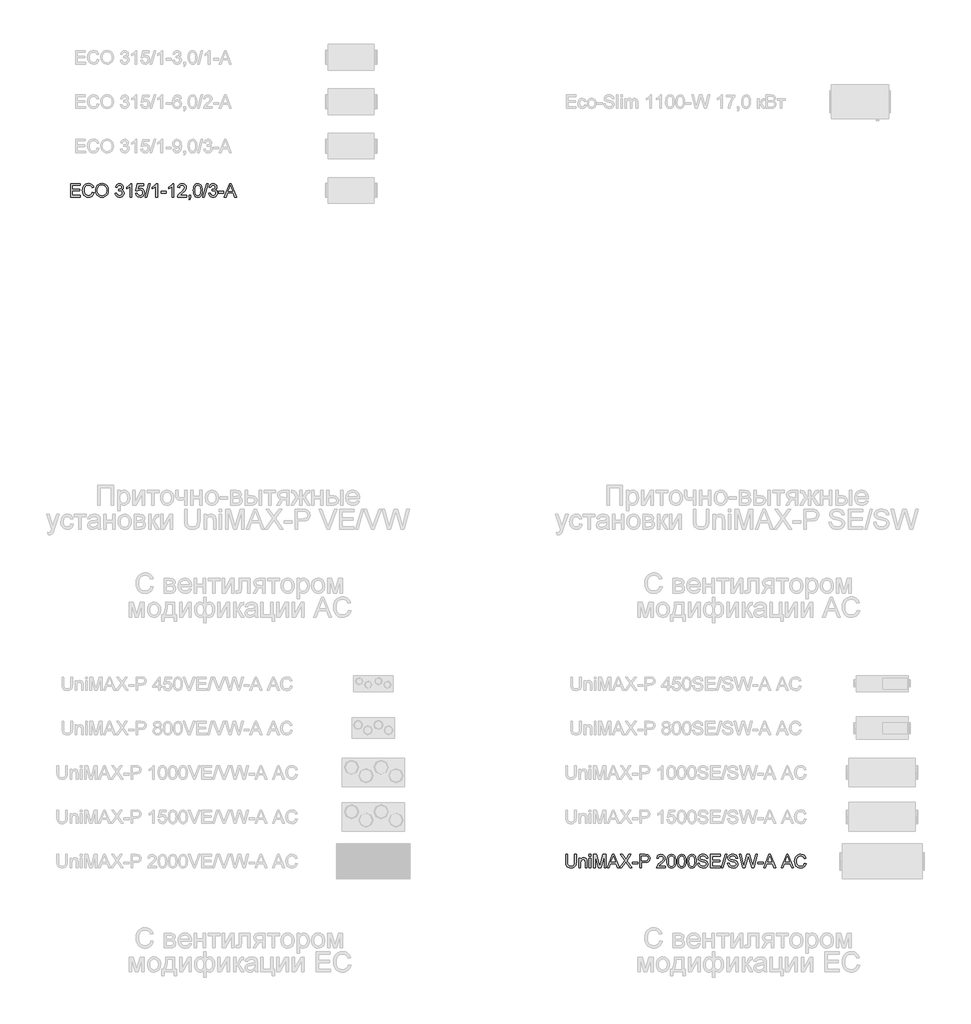
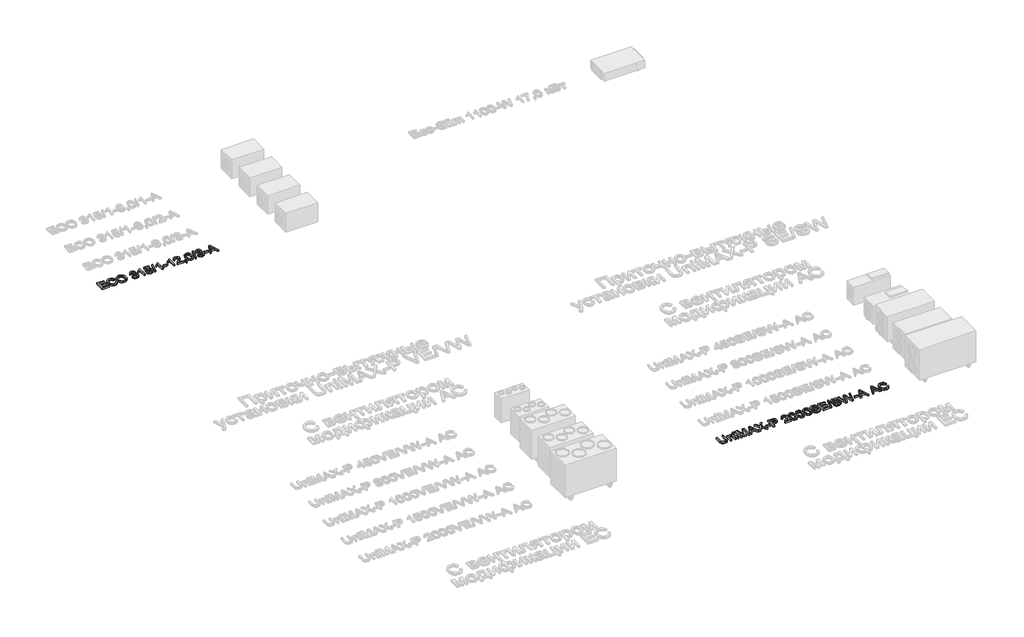
# One storey, part 22 of 74: 2 proxies.
"""IFC4 building model written with IfcOpenShell, lengths in millimetres."""

from ifc_helpers import new_model, si_unit, origin, origin_with_axes, place, context, project, spatial, polyline, outline, extrude, element, save

model = new_model("IFC4")

# Units and contexts
model_context = context("Model", 3, world=origin())
ifc_project = project(units=[si_unit("LENGTHUNIT", "METRE", prefix="MILLI")], contexts=[model_context])

# Site, building, storey
site = spatial("IfcSite", under=ifc_project)
building = spatial("IfcBuilding", under=site)
storey = spatial("IfcBuildingStorey", under=building, Elevation=0.0)

# Proxies
placement = place(None, origin())
element("IfcBuildingElementProxy", 1, Name="Generic Models", at=placement, inside=storey, context=model_context, shape_type="SweptSolid", body=[
    extrude(outline(polyline([(11650.3517423, -16906.2904473), (11650.3517423, -16604.9215169), (11866.9606611, -16604.9215169), (11866.9606611, -16642.5926332), (11688.0228586, -16642.5926332), (11688.0228586, -16732.0615344), (11857.542882, -16732.0615344), (11857.542882, -16769.7326507), (11688.0228586, -16769.7326507), (11688.0228586, -16868.619331), (11871.6695506, -16868.619331), (11871.6695506, -16906.2904473), (11650.3517423, -16906.2904473)])), origin_with_axes(), (0.0, 0.0, 1.0), 50.0),
    extrude(outline(polyline([(12140.0762543, -16799.1632103), (12177.7473706, -16808.875295), (12170.2931617, -16832.3024803), (12160.3649463, -16852.7728141), (12147.9627245, -16870.2862963), (12133.0864964, -16884.842927), (12116.0719541, -16896.2863563), (12097.25479, -16904.4602344), (12076.6350042, -16909.3645613), (12054.2125966, -16910.9993369), (12010.5174126, -16906.051324), (11975.8169434, -16891.2072855), (11949.2190752, -16866.9822562), (11929.831694, -16833.8912707), (11917.9950908, -16794.9877497), (11914.0495564, -16753.3251137), (11918.5101256, -16709.3816094), (11931.8918332, -16671.4345816), (11953.4957034, -16640.6888439), (11982.6227603, -16618.3492097), (12017.1668797, -16604.7467729), (12055.021937, -16600.2126274), (12096.325888, -16606.0803452), (12114.2946242, -16613.4149925), (12130.4745342, -16623.6834986), (12144.5989035, -16636.6145508), (12156.4010178, -16651.9368359), (12173.038481, -16689.755105), (12135.3673647, -16698.7314257), (12122.3075539, -16671.2598377), (12104.4652771, -16652.4150825), (12081.6198052, -16641.5165784), (12053.550409, -16637.8837437), (12021.1951875, -16641.9120515), (11994.6157134, -16653.996975), (11974.446583, -16672.8693214), (11961.3223928, -16697.2598977), (11954.1211028, -16724.8326532), (11951.7206727, -16753.2515373), (11954.5625612, -16788.0531741), (11963.0882264, -16818.1459213), (11977.6195652, -16842.3801477), (11998.4784743, -16859.6062222), (12023.485253, -16869.897721), (12050.4602002, -16873.3282206), (12081.9049138, -16868.6561192), (12108.1073089, -16854.6398152), (12127.8901632, -16831.4264613), (12140.0762543, -16799.1632103)])), origin_with_axes(), (0.0, 0.0, 1.0), 50.0),
    extrude(outline(polyline([(12215.4184869, -16759.5791077), (12217.9292815, -16724.2302465), (12225.4616654, -16692.9372842), (12238.0156384, -16665.700221), (12255.5912008, -16642.5190568), (12277.1352901, -16624.0099939), (12301.5948443, -16610.7892347), (12328.9698632, -16602.8567792), (12359.260347, -16600.2126274), (12398.7892674, -16605.1790343), (12434.2346976, -16620.0782551), (12463.6652572, -16643.8618261), (12485.1495657, -16675.4812836), (12498.282953, -16713.4099173), (12502.6607487, -16756.1210169), (12498.0530267, -16799.4023336), (12484.2298608, -16837.8643962), (12461.954606, -16869.539036), (12431.9906174, -16892.4580843), (12396.8486899, -16906.3640237), (12359.0396178, -16910.9993369), (12318.9036921, -16905.8765801), (12283.2559268, -16890.5083097), (12253.8989436, -16866.2832804), (12232.6353643, -16834.5902465), (12219.7227062, -16798.1239437), (12215.4184869, -16759.5791077)]), holes=[polyline([(12253.0896032, -16759.9469897), (12254.9726992, -16784.9215786), (12260.621987, -16807.0910673), (12270.0374669, -16826.4554559), (12283.2191386, -16843.0147442), (12299.2426987, -16856.2768901), (12317.1838438, -16865.7498515), (12337.0425738, -16871.4336283), (12358.8188886, -16873.3282206), (12380.967684, -16871.4152342), (12401.0609387, -16865.6762751), (12419.0986528, -16856.1113432), (12435.0808262, -16842.7204386), (12448.1659289, -16825.8116624), (12457.5124309, -16805.6931158), (12463.120332, -16782.3647987), (12464.9896324, -16755.8267113), (12461.7890591, -16722.4782085), (12452.187339, -16693.6546541), (12436.4327925, -16670.0826153), (12414.7737401, -16652.4886589), (12388.6449214, -16641.5349725), (12359.4810762, -16637.8837437), (12338.4612187, -16639.6426794), (12318.9588744, -16644.9194868), (12300.9740434, -16653.7141658), (12284.5067256, -16666.0267163), (12270.7617345, -16682.4503481), (12260.9438838, -16703.5782709), (12255.0531733, -16729.4104848), (12253.0896032, -16759.9469897)])]), origin_with_axes(), (0.0, 0.0, 1.0), 50.0),
    extrude(outline(polyline([(12658.0541035, -16826.2393252), (12695.7252198, -16821.5304357), (12704.1589145, -16845.203642), (12716.5105525, -16861.1881147), (12733.387139, -16870.2931941), (12755.3956794, -16873.3282206), (12781.2209955, -16869.1527599), (12801.1601996, -16856.626378), (12813.9073107, -16837.9379726), (12818.1563478, -16815.2764417), (12813.9440989, -16793.7645421), (12801.3073524, -16776.3177384), (12782.1774887, -16764.7570467), (12758.4858882, -16760.9034828), (12732.0719609, -16765.0237612), (12736.2658157, -16727.3526449), (12742.2990804, -16727.7941033), (12764.8686408, -16725.0901706), (12785.0469682, -16716.9783726), (12799.2840014, -16703.2563742), (12804.0296792, -16683.7218403), (12800.5899825, -16667.452259), (12790.2708925, -16654.2544924), (12774.5255432, -16645.508098), (12754.8070682, -16642.5926332), (12735.0518051, -16645.5356892), (12718.9017855, -16654.364857), (12707.1111675, -16669.0801369), (12700.4341093, -16689.6815286), (12662.762993, -16684.972639), (12673.8546352, -16651.1458896), (12693.5915042, -16625.8907906), (12720.5940427, -16610.1638353), (12753.482693, -16604.9215169), (12777.1650965, -16607.5058879), (12798.9161194, -16615.259001), (12817.2550369, -16627.4910773), (12830.7011238, -16643.5123382), (12838.9508776, -16661.9708173), (12841.7007955, -16681.5145483), (12839.0888333, -16699.724707), (12831.2529468, -16716.2426086), (12818.3035006, -16730.3140949), (12800.3508592, -16741.1850079), (12823.9320951, -16750.7131516), (12841.4064899, -16766.9367476), (12852.2222205, -16788.9728791), (12855.8274641, -16815.9386293), (12854.0248423, -16835.050099), (12848.616977, -16852.6532524), (12839.6038681, -16868.7480897), (12826.9855157, -16883.3346108), (12811.6126468, -16895.4379285), (12794.3359886, -16904.0831554), (12775.1555411, -16909.2702915), (12754.0713042, -16910.9993369), (12735.0150169, -16909.5232104), (12717.6509867, -16905.0948309), (12701.9792137, -16897.7141983), (12687.9996979, -16887.3813128), (12676.2780578, -16874.7031795), (12667.3799121, -16860.2868038), (12661.3052606, -16844.1321857), (12658.0541035, -16826.2393252)])), origin_with_axes(), (0.0, 0.0, 1.0), 50.0),
    extrude(outline(polyline([(13030.056377, -16906.2904473), (12992.3852607, -16906.2904473), (12992.3852607, -16671.4345816), (12956.7007072, -16696.8552275), (12917.0430281, -16715.8747266), (12917.0430281, -16680.2637495), (12946.6299375, -16664.1689122), (12972.2621156, -16645.0206544), (12992.4680341, -16624.6583859), (13005.7761653, -16604.9215169), (13030.056377, -16604.9215169), (13030.056377, -16906.2904473)])), origin_with_axes(), (0.0, 0.0, 1.0), 50.0),
    extrude(outline(polyline([(13119.5252782, -16826.2393252), (13157.1963945, -16821.5304357), (13164.112576, -16844.1459813), (13176.1791055, -16860.3419861), (13193.3408006, -16870.081662), (13215.542479, -16873.3282206), (13242.5450174, -16868.8124691), (13262.7785272, -16855.2652146), (13275.4152737, -16834.2499556), (13279.6275225, -16807.3301906), (13275.6819881, -16781.9831212), (13263.8453849, -16762.59574), (13244.0257424, -16750.2900873), (13216.1310902, -16746.188203), (13197.8565521, -16747.8252779), (13183.0584988, -16752.7365026), (13161.9052841, -16769.7326507), (13124.2341678, -16765.0237612), (13157.1963945, -16609.6304064), (13303.1719702, -16609.6304064), (13303.1719702, -16647.3015227), (13187.6570237, -16647.3015227), (13171.5437923, -16730.2957008), (13198.4543603, -16713.9617403), (13226.6525152, -16708.5170867), (13244.9983305, -16710.2047454), (13261.8496251, -16715.2677213), (13277.2063992, -16723.7060146), (13291.0686526, -16735.5196252), (13302.5442716, -16749.9865846), (13310.7411423, -16766.3849246), (13315.6592647, -16784.714645), (13317.2986388, -16804.9757459), (13311.3941328, -16842.6468622), (13304.0135003, -16859.4406753), (13293.6806147, -16874.873325), (13278.0272359, -16890.6784552), (13259.7618948, -16901.9678339), (13238.8845916, -16908.7414611), (13215.3953262, -16910.9993369), (13178.3955945, -16905.1959984), (13162.7169237, -16897.9418253), (13148.9190496, -16887.785983), (13137.4388321, -16875.2343092), (13128.7131311, -16860.7926416), (13119.5252782, -16826.2393252)])), origin_with_axes(), (0.0, 0.0, 1.0), 50.0),
    extrude(outline(polyline([(13331.4253075, -16906.2904473), (13416.1853191, -16604.9215169), (13450.1776155, -16604.9215169), (13365.4176038, -16906.2904473), (13331.4253075, -16906.2904473)])), origin_with_axes(), (0.0, 0.0, 1.0), 50.0),
    extrude(outline(polyline([(13609.2497902, -16906.2904473), (13571.5786739, -16906.2904473), (13571.5786739, -16671.4345816), (13535.8941204, -16696.8552275), (13496.2364413, -16715.8747266), (13496.2364413, -16680.2637495), (13525.8233508, -16664.1689122), (13551.4555288, -16645.0206544), (13571.6614474, -16624.6583859), (13584.9695785, -16604.9215169), (13609.2497902, -16604.9215169), (13609.2497902, -16906.2904473)])), origin_with_axes(), (0.0, 0.0, 1.0), 50.0),
    extrude(outline(polyline([(13689.3009124, -16816.8215461), (13689.3009124, -16779.1504298), (13807.0231508, -16779.1504298), (13807.0231508, -16816.8215461), (13689.3009124, -16816.8215461)])), origin_with_axes(), (0.0, 0.0, 1.0), 50.0),
    extrude(outline(polyline([(13981.2520637, -16906.2904473), (13943.5809474, -16906.2904473), (13943.5809474, -16671.4345816), (13907.8963939, -16696.8552275), (13868.2387148, -16715.8747266), (13868.2387148, -16680.2637495), (13897.8256243, -16664.1689122), (13923.4578023, -16645.0206544), (13943.6637209, -16624.6583859), (13956.9718521, -16604.9215169), (13981.2520637, -16604.9215169), (13981.2520637, -16906.2904473)])), origin_with_axes(), (0.0, 0.0, 1.0), 50.0),
    extrude(outline(polyline([(14263.785436, -16868.619331), (14263.785436, -16906.2904473), (14066.0120754, -16906.2904473), (14070.0587774, -16880.3179785), (14079.3477977, -16860.0200894), (14092.9410375, -16840.3292056), (14112.6043301, -16819.7186168), (14140.1035092, -16796.6616128), (14180.7544697, -16760.553995), (14205.145046, -16733.9009444), (14217.3403341, -16712.2694831), (14221.4054302, -16691.226633), (14217.5702604, -16672.3634837), (14206.064751, -16656.6825136), (14188.3788241, -16646.1151033), (14166.0024017, -16642.5926332), (14142.5039393, -16646.0323299), (14124.2477953, -16656.3514198), (14112.4663744, -16672.7405627), (14108.3920813, -16694.3904181), (14070.720965, -16689.6815286), (14079.8536355, -16653.242817), (14088.3999941, -16638.7068796), (14099.5997016, -16626.6265546), (14113.1952406, -16617.1306006), (14128.9290936, -16610.3477763), (14166.8117421, -16604.9215169), (14187.0015658, -16606.4298331), (14204.970302, -16610.9547816), (14220.7179507, -16618.4963625), (14234.2445118, -16629.0545758), (14245.108527, -16641.8476722), (14252.8685378, -16656.0939024), (14257.5245443, -16671.7932666), (14259.0765465, -16688.9457646), (14257.4026834, -16706.9627853), (14252.3810942, -16724.6671063), (14243.4691528, -16742.67493), (14230.1242335, -16761.6024586), (14208.8514571, -16784.1996102), (14176.1559448, -16813.2163026), (14132.8194457, -16849.4526791), (14115.8232976, -16868.619331), (14263.785436, -16868.619331)])), origin_with_axes(), (0.0, 0.0, 1.0), 50.0),
    extrude(outline(polyline([(14320.2921105, -16906.2904473), (14320.2921105, -16868.619331), (14357.9632268, -16868.619331), (14357.9632268, -16906.2904473), (14356.2709696, -16927.8391352), (14351.1941981, -16944.8076922), (14342.4386066, -16957.8215178), (14329.7098896, -16967.5060113), (14320.2921105, -16953.3793427), (14328.4590908, -16946.5551317), (14334.1244735, -16937.1189585), (14339.0540922, -16906.2904473), (14320.2921105, -16906.2904473)])), origin_with_axes(), (0.0, 0.0, 1.0), 50.0),
    extrude(outline(polyline([(14419.1787908, -16758.0340033), (14421.9471028, -16709.7954767), (14430.2520388, -16671.324217), (14444.0108255, -16642.0316132), (14463.1406892, -16621.3290539), (14487.7795858, -16609.0234011), (14518.0654711, -16604.9215169), (14541.278825, -16607.3495381), (14562.0641577, -16614.6336016), (14579.446582, -16626.4885989), (14592.4512105, -16642.6294214), (14602.2736598, -16662.9181134), (14610.1095463, -16687.2167192), (14615.2415001, -16718.0728216), (14616.9521514, -16758.0340033), (14614.2114305, -16805.9966184), (14605.9892679, -16844.3759076), (14592.3132548, -16873.6961026), (14573.2109822, -16894.4814353), (14548.5169032, -16906.8698615), (14518.0654711, -16910.9993369), (14497.3169266, -16909.2059122), (14478.9228268, -16903.825638), (14462.8831718, -16894.8585143), (14449.1979616, -16882.3045413), (14436.0645744, -16859.6108207), (14426.6835835, -16831.3344908), (14421.054989, -16797.4755517), (14419.1787908, -16758.0340033)]), holes=[polyline([(14456.8499071, -16757.9604269), (14461.264491, -16817.2170193), (14466.782721, -16837.4850179), (14474.5082429, -16851.5128183), (14494.2267178, -16867.87437), (14518.0654711, -16873.3282206), (14541.9042244, -16867.8559759), (14561.6226993, -16851.4392419), (14569.3482212, -16837.3884489), (14574.8664511, -16817.1250488), (14579.2810351, -16757.9604269), (14575.0136039, -16700.0374067), (14569.679315, -16679.8360867), (14562.2113105, -16665.4748933), (14542.5296238, -16648.3131982), (14517.6240127, -16642.5926332), (14494.0427768, -16647.6326165), (14475.0968541, -16662.7525665), (14467.1138148, -16678.3875513), (14461.4116438, -16699.4671897), (14456.8499071, -16757.9604269)])]), origin_with_axes(), (0.0, 0.0, 1.0), 50.0),
    extrude(outline(polyline([(14631.07882, -16906.2904473), (14715.8388317, -16604.9215169), (14749.8311281, -16604.9215169), (14665.0711164, -16906.2904473), (14631.07882, -16906.2904473)])), origin_with_axes(), (0.0, 0.0, 1.0), 50.0),
    extrude(outline(polyline([(14767.6366166, -16826.2393252), (14805.3077329, -16821.5304357), (14813.7414277, -16845.203642), (14826.0930657, -16861.1881147), (14842.9696522, -16870.2931941), (14864.9781925, -16873.3282206), (14890.8035086, -16869.1527599), (14910.7427127, -16856.626378), (14923.4898239, -16837.9379726), (14927.7388609, -16815.2764417), (14923.5266121, -16793.7645421), (14910.8898655, -16776.3177384), (14891.7600018, -16764.7570467), (14868.0684013, -16760.9034828), (14841.6544741, -16765.0237612), (14845.8483288, -16727.3526449), (14851.8815935, -16727.7941033), (14874.4511539, -16725.0901706), (14894.6294814, -16716.9783726), (14908.8665146, -16703.2563742), (14913.6121923, -16683.7218403), (14910.1724957, -16667.452259), (14899.8534057, -16654.2544924), (14884.1080563, -16645.508098), (14864.3895814, -16642.5926332), (14844.6343182, -16645.5356892), (14828.4842986, -16654.364857), (14816.6936807, -16669.0801369), (14810.0166225, -16689.6815286), (14772.3455062, -16684.972639), (14783.4371483, -16651.1458896), (14803.1740174, -16625.8907906), (14830.1765558, -16610.1638353), (14863.0652062, -16604.9215169), (14886.7476096, -16607.5058879), (14908.4986326, -16615.259001), (14926.83755, -16627.4910773), (14940.283637, -16643.5123382), (14948.5333907, -16661.9708173), (14951.2833086, -16681.5145483), (14948.6713464, -16699.724707), (14940.83546, -16716.2426086), (14927.8860137, -16730.3140949), (14909.9333724, -16741.1850079), (14933.5146082, -16750.7131516), (14950.989003, -16766.9367476), (14961.8047337, -16788.9728791), (14965.4099772, -16815.9386293), (14963.6073555, -16835.050099), (14958.1994901, -16852.6532524), (14949.1863812, -16868.7480897), (14936.5680288, -16883.3346108), (14921.1951599, -16895.4379285), (14903.9185017, -16904.0831554), (14884.7380542, -16909.2702915), (14863.6538174, -16910.9993369), (14844.59753, -16909.5232104), (14827.2334998, -16905.0948309), (14811.5617268, -16897.7141983), (14797.582211, -16887.3813128), (14785.860571, -16874.7031795), (14776.9624252, -16860.2868038), (14770.8877738, -16844.1321857), (14767.6366166, -16826.2393252)])), origin_with_axes(), (0.0, 0.0, 1.0), 50.0),
    extrude(outline(polyline([(14988.9544249, -16816.8215461), (14988.9544249, -16779.1504298), (15106.6766634, -16779.1504298), (15106.6766634, -16816.8215461), (14988.9544249, -16816.8215461)])), origin_with_axes(), (0.0, 0.0, 1.0), 50.0),
    extrude(outline(polyline([(15118.6696164, -16906.2904473), (15238.9670288, -16604.9215169), (15271.0463388, -16604.9215169), (15391.3437512, -16906.2904473), (15351.5389194, -16906.2904473), (15317.0315882, -16812.1126566), (15192.908203, -16812.1126566), (15158.4744483, -16906.2904473), (15118.6696164, -16906.2904473)]), holes=[polyline([(15206.7405661, -16774.4415403), (15303.2728016, -16774.4415403), (15276.1231104, -16700.3501064), (15255.0066838, -16642.5926332), (15236.2447021, -16693.8753833), (15206.7405661, -16774.4415403)])]), origin_with_axes(), (0.0, 0.0, 1.0), 50.0),
])
element("IfcBuildingElementProxy", 2, Name="Generic Models", at=placement, inside=storey, context=model_context, shape_type="SweptSolid", body=[
    extrude(outline(polyline([(23020.9746871, -31731.9528304), (23058.6458034, -31731.9528304), (23058.6458034, -31905.8138613), (23056.0890235, -31946.5292011), (23048.4186839, -31977.8819441), (23034.0896802, -32002.0701853), (23011.556908, -32021.2920196), (22980.765185, -32033.8459926), (22941.6593289, -32038.0306503), (22903.4087985, -32034.3886186), (22872.8286076, -32023.4625233), (22849.9095594, -32005.6294436), (22834.6424566, -31981.2664585), (22826.061609, -31948.5893403), (22823.2013265, -31905.8138613), (22823.2013265, -31731.9528304), (22860.8724428, -31731.9528304), (22860.8724428, -31904.4894861), (22862.7302469, -31938.3438267), (22868.3036591, -31961.9158655), (22878.4020199, -31978.2406291), (22893.8346696, -31990.3531438), (22913.9578147, -31997.8579365), (22938.1276618, -32000.359534), (22976.4425716, -31995.4115212), (22990.7853709, -31989.2265052), (23001.9183998, -31980.5674827), (23010.2555255, -31968.3905887), (23016.2106153, -31951.6519579), (23020.9746871, -31904.4894861), (23020.9746871, -31731.9528304)])), origin_with_axes(), (0.0, 0.0, 1.0), 50.0),
    extrude(outline(polyline([(23119.8613674, -32033.3217608), (23119.8613674, -31812.0039525), (23157.5324837, -31812.0039525), (23157.5324837, -31842.9060401), (23170.6198857, -31827.3262376), (23186.3376439, -31816.1978072), (23204.6857584, -31809.520749), (23225.6642292, -31807.295063), (23244.2330729, -31809.0884877), (23261.2384182, -31814.4687619), (23275.4202691, -31822.7645009), (23285.5186298, -31833.30432), (23296.8126071, -31861.0058343), (23298.7991699, -31897.4261518), (23298.7991699, -32033.3217608), (23261.1280536, -32033.3217608), (23261.1280536, -31902.5029233), (23256.787046, -31869.1728146), (23250.7813724, -31859.2491977), (23241.4463668, -31851.551267), (23229.4810049, -31846.6124512), (23215.5842626, -31844.9661793), (23193.5205399, -31848.6633933), (23174.7125729, -31859.7550355), (23167.1962839, -31868.8095311), (23161.827506, -31881.1841617), (23157.5324837, -31915.8938279), (23157.5324837, -32033.3217608), (23119.8613674, -32033.3217608)])), origin_with_axes(), (0.0, 0.0, 1.0), 50.0),
    extrude(outline(polyline([(23350.5969548, -32033.3217608), (23350.5969548, -31812.0039525), (23388.2680711, -31812.0039525), (23388.2680711, -32033.3217608), (23350.5969548, -32033.3217608)])), origin_with_axes(), (0.0, 0.0, 1.0), 50.0),
    extrude(outline(polyline([(23350.5969548, -31769.6239467), (23350.5969548, -31731.9528304), (23388.2680711, -31731.9528304), (23388.2680711, -31769.6239467), (23350.5969548, -31769.6239467)])), origin_with_axes(), (0.0, 0.0, 1.0), 50.0),
    extrude(outline(polyline([(23449.4836351, -32033.3217608), (23449.4836351, -31731.9528304), (23514.3044426, -31731.9528304), (23575.961465, -31944.3678944), (23588.3958765, -31988.734463), (23601.8603575, -31940.6890744), (23662.4873103, -31731.9528304), (23727.3081178, -31731.9528304), (23727.3081178, -32033.3217608), (23689.6370015, -32033.3217608), (23689.6370015, -31769.6239467), (23613.9268869, -32033.3217608), (23562.864866, -32033.3217608), (23487.1547514, -31769.6239467), (23487.1547514, -32033.3217608), (23449.4836351, -32033.3217608)])), origin_with_axes(), (0.0, 0.0, 1.0), 50.0),
    extrude(outline(polyline([(23758.136629, -32033.3217608), (23878.4340415, -31731.9528304), (23910.5133514, -31731.9528304), (24030.8107639, -32033.3217608), (23991.005932, -32033.3217608), (23956.4986008, -31939.14397), (23832.3752157, -31939.14397), (23797.9414609, -32033.3217608), (23758.136629, -32033.3217608)]), holes=[polyline([(23846.2075787, -31901.4728537), (23942.7398142, -31901.4728537), (23915.590123, -31827.3814199), (23894.4736965, -31769.6239467), (23875.7117147, -31820.9066968), (23846.2075787, -31901.4728537)])]), origin_with_axes(), (0.0, 0.0, 1.0), 50.0),
    extrude(outline(polyline([(24038.0948274, -32033.3217608), (24154.2719614, -31869.0992382), (24056.9303855, -31731.9528304), (24102.1062945, -31731.9528304), (24156.9207118, -31809.1344729), (24175.388388, -31839.2272201), (24197.0198493, -31808.6194381), (24251.2456554, -31731.9528304), (24297.083752, -31731.9528304), (24199.7421761, -31869.5406965), (24315.9193101, -32033.3217608), (24270.7434011, -32033.3217608), (24193.3410293, -31924.1343846), (24177.2277979, -31901.4728537), (24159.4958858, -31926.3416766), (24083.932924, -32033.3217608), (24038.0948274, -32033.3217608)])), origin_with_axes(), (0.0, 0.0, 1.0), 50.0),
    extrude(outline(polyline([(24330.0459787, -31943.8528596), (24330.0459787, -31906.1817433), (24447.7682172, -31906.1817433), (24447.7682172, -31943.8528596), (24330.0459787, -31943.8528596)])), origin_with_axes(), (0.0, 0.0, 1.0), 50.0),
    extrude(outline(polyline([(24494.8571126, -32033.3217608), (24494.8571126, -31731.9528304), (24606.5460863, -31731.9528304), (24651.5748425, -31734.8223099), (24671.6520024, -31740.18419), (24688.179101, -31748.9121903), (24701.4872322, -31761.4017841), (24711.9074897, -31778.0484443), (24718.6397302, -31797.6841458), (24720.8838104, -31819.1408632), (24719.3685965, -31837.640729), (24714.8229545, -31854.6598698), (24707.2468847, -31870.1982856), (24696.6403869, -31884.2559764), (24682.0791577, -31895.9086386), (24662.6388935, -31904.2319687), (24638.3195944, -31909.2259668), (24609.1212603, -31910.8906328), (24532.5282289, -31910.8906328), (24532.5282289, -32033.3217608), (24494.8571126, -32033.3217608)]), holes=[polyline([(24532.5282289, -31873.2195165), (24611.3285523, -31873.2195165), (24644.7322374, -31869.7614257), (24666.8051571, -31859.3871535), (24679.1108099, -31842.7404932), (24683.2126941, -31820.4652384), (24680.79387, -31803.5426666), (24673.5373976, -31789.2688452), (24662.3445879, -31778.5266909), (24648.1167518, -31772.1991206), (24610.4456355, -31769.6239467), (24532.5282289, -31769.6239467), (24532.5282289, -31873.2195165)])]), origin_with_axes(), (0.0, 0.0, 1.0), 50.0),
    extrude(outline(polyline([(25069.3416363, -31995.6506445), (25069.3416363, -32033.3217608), (24871.5682756, -32033.3217608), (24875.6149776, -32007.3492919), (24884.903998, -31987.0514029), (24898.4972377, -31967.3605191), (24918.1605303, -31946.7499303), (24945.6597095, -31923.6929262), (24986.3106699, -31887.5853084), (25010.7012462, -31860.9322579), (25022.8965344, -31839.3007965), (25026.9616304, -31818.2579464), (25023.1264606, -31799.3947971), (25011.6209512, -31783.7138271), (24993.9350243, -31773.1464168), (24971.5586019, -31769.6239467), (24948.0601395, -31773.0636433), (24929.8039955, -31783.3827333), (24918.0225746, -31799.7718762), (24913.9482815, -31821.4217316), (24876.2771652, -31816.712842), (24885.4098357, -31780.2741304), (24893.9561943, -31765.7381931), (24905.1559018, -31753.6578681), (24918.7514408, -31744.1619141), (24934.4852939, -31737.3790898), (24972.3679423, -31731.9528304), (24992.5577661, -31733.4611465), (25010.5265023, -31737.9860951), (25026.2741509, -31745.527676), (25039.800712, -31756.0858892), (25050.6647272, -31768.8789856), (25058.424738, -31783.1252159), (25063.0807445, -31798.82458), (25064.6327467, -31815.9770781), (25062.9588836, -31833.9940988), (25057.9372944, -31851.6984198), (25049.0253531, -31869.7062434), (25035.6804337, -31888.6337721), (25014.4076573, -31911.2309237), (24981.712145, -31940.247616), (24938.375646, -31976.4839925), (24921.3794978, -31995.6506445), (25069.3416363, -31995.6506445)])), origin_with_axes(), (0.0, 0.0, 1.0), 50.0),
    extrude(outline(polyline([(25107.0127526, -31885.0653167), (25109.7810646, -31836.8267901), (25118.0860006, -31798.3555305), (25131.8447872, -31769.0629266), (25150.974651, -31748.3603673), (25175.6135476, -31736.0547146), (25205.8994329, -31731.9528304), (25229.1127868, -31734.3808515), (25249.8981195, -31741.664915), (25267.2805438, -31753.5199123), (25280.2851723, -31769.6607349), (25290.1076216, -31789.9494269), (25297.9435081, -31814.2480327), (25303.0754619, -31845.104135), (25304.7861132, -31885.0653167), (25302.0453923, -31933.0279319), (25293.8232297, -31971.407221), (25280.1472165, -32000.727416), (25261.0449439, -32021.5127488), (25236.350865, -32033.9011749), (25205.8994329, -32038.0306503), (25185.1508883, -32036.2372256), (25166.7567886, -32030.8569514), (25150.7171336, -32021.8898278), (25137.0319234, -32009.3358547), (25123.8985361, -31986.6421341), (25114.5175453, -31958.3658043), (25108.8889507, -31924.5068652), (25107.0127526, -31885.0653167)]), holes=[polyline([(25144.6838689, -31884.9917403), (25149.0984528, -31944.2483327), (25154.6166827, -31964.5163314), (25162.3422046, -31978.5441317), (25182.0606796, -31994.9056835), (25205.8994329, -32000.359534), (25229.7381861, -31994.8872894), (25249.4566611, -31978.4705553), (25257.182183, -31964.4197624), (25262.7004129, -31944.1563622), (25267.1149969, -31884.9917403), (25262.8475657, -31827.0687202), (25257.5132768, -31806.8674001), (25250.0452723, -31792.5062068), (25230.3635855, -31775.3445117), (25205.4579745, -31769.6239467), (25181.8767386, -31774.66393), (25162.9308158, -31789.78388), (25154.9477765, -31805.4188648), (25149.2456056, -31826.4985031), (25144.6838689, -31884.9917403)])]), origin_with_axes(), (0.0, 0.0, 1.0), 50.0),
    extrude(outline(polyline([(25337.7483399, -31885.0653167), (25340.5166519, -31836.8267901), (25348.821588, -31798.3555305), (25362.5803746, -31769.0629266), (25381.7102384, -31748.3603673), (25406.349135, -31736.0547146), (25436.6350202, -31731.9528304), (25459.8483741, -31734.3808515), (25480.6337069, -31741.664915), (25498.0161311, -31753.5199123), (25511.0207597, -31769.6607349), (25520.8432089, -31789.9494269), (25528.6790954, -31814.2480327), (25533.8110493, -31845.104135), (25535.5217005, -31885.0653167), (25532.7809797, -31933.0279319), (25524.5588171, -31971.407221), (25510.8828039, -32000.727416), (25491.7805313, -32021.5127488), (25467.0864524, -32033.9011749), (25436.6350202, -32038.0306503), (25415.8864757, -32036.2372256), (25397.4923759, -32030.8569514), (25381.452721, -32021.8898278), (25367.7675107, -32009.3358547), (25354.6341235, -31986.6421341), (25345.2531326, -31958.3658043), (25339.6245381, -31924.5068652), (25337.7483399, -31885.0653167)]), holes=[polyline([(25375.4194562, -31884.9917403), (25379.8340402, -31944.2483327), (25385.3522701, -31964.5163314), (25393.077792, -31978.5441317), (25412.7962669, -31994.9056835), (25436.6350202, -32000.359534), (25460.4737735, -31994.8872894), (25480.1922485, -31978.4705553), (25487.9177704, -31964.4197624), (25493.4360003, -31944.1563622), (25497.8505842, -31884.9917403), (25493.5831531, -31827.0687202), (25488.2488642, -31806.8674001), (25480.7808597, -31792.5062068), (25461.0991729, -31775.3445117), (25436.1935618, -31769.6239467), (25412.612326, -31774.66393), (25393.6664032, -31789.78388), (25385.6833639, -31805.4188648), (25379.981193, -31826.4985031), (25375.4194562, -31884.9917403)])]), origin_with_axes(), (0.0, 0.0, 1.0), 50.0),
    extrude(outline(polyline([(25568.4839273, -31885.0653167), (25571.2522393, -31836.8267901), (25579.5571754, -31798.3555305), (25593.315962, -31769.0629266), (25612.4458257, -31748.3603673), (25637.0847224, -31736.0547146), (25667.3706076, -31731.9528304), (25690.5839615, -31734.3808515), (25711.3692942, -31741.664915), (25728.7517185, -31753.5199123), (25741.756347, -31769.6607349), (25751.5787963, -31789.9494269), (25759.4146828, -31814.2480327), (25764.5466366, -31845.104135), (25766.2572879, -31885.0653167), (25763.5165671, -31933.0279319), (25755.2944045, -31971.407221), (25741.6183913, -32000.727416), (25722.5161187, -32021.5127488), (25697.8220398, -32033.9011749), (25667.3706076, -32038.0306503), (25646.6220631, -32036.2372256), (25628.2279633, -32030.8569514), (25612.1883083, -32021.8898278), (25598.5030981, -32009.3358547), (25585.3697109, -31986.6421341), (25575.98872, -31958.3658043), (25570.3601255, -31924.5068652), (25568.4839273, -31885.0653167)]), holes=[polyline([(25606.1550436, -31884.9917403), (25610.5696276, -31944.2483327), (25616.0878575, -31964.5163314), (25623.8133794, -31978.5441317), (25643.5318543, -31994.9056835), (25667.3706076, -32000.359534), (25691.2093609, -31994.8872894), (25710.9278358, -31978.4705553), (25718.6533577, -31964.4197624), (25724.1715877, -31944.1563622), (25728.5861716, -31884.9917403), (25724.3187405, -31827.0687202), (25718.9844515, -31806.8674001), (25711.516447, -31792.5062068), (25691.8347603, -31775.3445117), (25666.9291492, -31769.6239467), (25643.3479133, -31774.66393), (25624.4019906, -31789.78388), (25616.4189513, -31805.4188648), (25610.7167804, -31826.4985031), (25606.1550436, -31884.9917403)])]), origin_with_axes(), (0.0, 0.0, 1.0), 50.0),
    extrude(outline(polyline([(25799.2195147, -31929.726191), (25836.890631, -31929.726191), (25841.2132444, -31950.6310853), (25849.0307368, -31967.4340955), (25861.226025, -31980.7698178), (25878.6820256, -31991.2728488), (25900.0191814, -31998.0878627), (25923.8579346, -32000.359534), (25944.8456025, -31998.6396857), (25963.2213081, -31993.4801407), (25978.1113319, -31985.3131604), (25988.641954, -31974.5710062), (25994.905145, -31962.2377623), (25996.9928753, -31949.2975131), (25995.4293768, -31936.6883577), (25990.7388814, -31925.7898536), (25981.2107377, -31916.4916362), (25965.1342945, -31908.6833408), (25910.283089, -31894.2991548), (25874.2766387, -31884.7802082), (25851.2380288, -31875.7211141), (25832.4852441, -31863.0475793), (25819.195507, -31847.688506), (25811.2768471, -31829.974988), (25808.6372938, -31810.2381189), (25811.9022465, -31788.1743963), (25821.6971046, -31767.6005957), (25837.7643507, -31750.1629891), (25859.8464675, -31737.5078485), (25886.3523652, -31729.8099177), (25915.6909544, -31727.2439408), (25947.4759587, -31729.9294794), (25975.2878376, -31737.9860951), (25998.1333095, -31751.248241), (26015.0190931, -31769.5503703), (26025.706065, -31791.7520487), (26029.9551021, -31816.712842), (25992.2839858, -31816.712842), (25985.3678042, -31794.2352521), (25970.94683, -31778.0116561), (25948.4140578, -31768.1892069), (25917.1624823, -31764.9150571), (25885.1751429, -31768.1524187), (25863.2309818, -31777.8645034), (25850.539053, -31792.1567189), (25846.3084101, -31809.1344729), (25849.3066483, -31823.6106295), (25858.3013631, -31835.2540946), (25879.5649424, -31845.6651551), (25919.8112327, -31856.2969447), (25961.34511, -31866.3953055), (25986.4714502, -31875.2060793), (26007.9465617, -31888.8728954), (26022.9285559, -31905.7402849), (26031.7301327, -31925.6243067), (26034.6639916, -31948.3410199), (26031.2886743, -31971.5635709), (26021.1627224, -31993.4065643), (26004.7000031, -32012.2053343), (25982.3143837, -32026.2952147), (25955.3946187, -32035.0967914), (25925.3294626, -32038.0306503), (25888.4217015, -32034.8668652), (25858.0438457, -32025.3755097), (25833.8464075, -32009.5197957), (25815.4798989, -31987.262935), (25803.6892809, -31960.150032), (25799.2195147, -31929.726191)])), origin_with_axes(), (0.0, 0.0, 1.0), 50.0),
    extrude(outline(polyline([(26091.1706661, -32033.3217608), (26091.1706661, -31731.9528304), (26307.7795848, -31731.9528304), (26307.7795848, -31769.6239467), (26128.8417824, -31769.6239467), (26128.8417824, -31859.0928479), (26298.3618057, -31859.0928479), (26298.3618057, -31896.7639642), (26128.8417824, -31896.7639642), (26128.8417824, -31995.6506445), (26312.4884744, -31995.6506445), (26312.4884744, -32033.3217608), (26091.1706661, -32033.3217608)])), origin_with_axes(), (0.0, 0.0, 1.0), 50.0),
    extrude(outline(polyline([(26336.032922, -32033.3217608), (26420.7929337, -31731.9528304), (26454.7852301, -31731.9528304), (26370.0252184, -32033.3217608), (26336.032922, -32033.3217608)])), origin_with_axes(), (0.0, 0.0, 1.0), 50.0),
    extrude(outline(polyline([(26472.5907187, -31929.726191), (26510.261835, -31929.726191), (26514.5844484, -31950.6310853), (26522.4019408, -31967.4340955), (26534.5972289, -31980.7698178), (26552.0532296, -31991.2728488), (26573.3903853, -31998.0878627), (26597.2291386, -32000.359534), (26618.2168064, -31998.6396857), (26636.5925121, -31993.4801407), (26651.4825359, -31985.3131604), (26662.013158, -31974.5710062), (26668.2763489, -31962.2377623), (26670.3640793, -31949.2975131), (26668.8005808, -31936.6883577), (26664.1100853, -31925.7898536), (26654.5819417, -31916.4916362), (26638.5054985, -31908.6833408), (26583.654293, -31894.2991548), (26547.6478427, -31884.7802082), (26524.6092328, -31875.7211141), (26505.8564481, -31863.0475793), (26492.566711, -31847.688506), (26484.648051, -31829.974988), (26482.0084977, -31810.2381189), (26485.2734504, -31788.1743963), (26495.0683086, -31767.6005957), (26511.1355547, -31750.1629891), (26533.2176715, -31737.5078485), (26559.7235692, -31729.8099177), (26589.0621583, -31727.2439408), (26620.8471627, -31729.9294794), (26648.6590415, -31737.9860951), (26671.5045134, -31751.248241), (26688.390297, -31769.5503703), (26699.077269, -31791.7520487), (26703.326306, -31816.712842), (26665.6551897, -31816.712842), (26658.7390082, -31794.2352521), (26644.318034, -31778.0116561), (26621.7852618, -31768.1892069), (26590.5336863, -31764.9150571), (26558.5463468, -31768.1524187), (26536.6021858, -31777.8645034), (26523.910257, -31792.1567189), (26519.679614, -31809.1344729), (26522.6778523, -31823.6106295), (26531.6725671, -31835.2540946), (26552.9361464, -31845.6651551), (26593.1824367, -31856.2969447), (26634.7163139, -31866.3953055), (26659.8426542, -31875.2060793), (26681.3177657, -31888.8728954), (26696.2997599, -31905.7402849), (26705.1013367, -31925.6243067), (26708.0351956, -31948.3410199), (26704.6598783, -31971.5635709), (26694.5339263, -31993.4065643), (26678.0712071, -32012.2053343), (26655.6855877, -32026.2952147), (26628.7658227, -32035.0967914), (26598.7006666, -32038.0306503), (26561.7929054, -32034.8668652), (26531.4150497, -32025.3755097), (26507.2176115, -32009.5197957), (26488.8511028, -31987.262935), (26477.0604849, -31960.150032), (26472.5907187, -31929.726191)])), origin_with_axes(), (0.0, 0.0, 1.0), 50.0),
    extrude(outline(polyline([(26818.4733705, -32033.3217608), (26736.2885328, -31731.9528304), (26775.1368715, -31731.9528304), (26822.8143781, -31930.0204966), (26837.5296579, -31991.1624842), (26853.2750073, -31937.0838309), (26913.0190433, -31731.9528304), (26969.0106829, -31731.9528304), (27012.4207584, -31880.6507328), (27031.0171932, -31935.8330321), (27044.7207976, -31991.1624842), (27058.994619, -31931.7863301), (27107.1135839, -31731.9528304), (27145.9619226, -31731.9528304), (27063.7035085, -32033.3217608), (27023.4572182, -32033.3217608), (26951.2051944, -31800.8203398), (26941.1252277, -31768.3731479), (26929.7944623, -31807.4422158), (26863.9435851, -32033.3217608), (26818.4733705, -32033.3217608)])), origin_with_axes(), (0.0, 0.0, 1.0), 50.0),
    extrude(outline(polyline([(27160.0885912, -31943.8528596), (27160.0885912, -31906.1817433), (27277.8108297, -31906.1817433), (27277.8108297, -31943.8528596), (27160.0885912, -31943.8528596)])), origin_with_axes(), (0.0, 0.0, 1.0), 50.0),
    extrude(outline(polyline([(27289.8037827, -32033.3217608), (27410.1011952, -31731.9528304), (27442.1805051, -31731.9528304), (27562.4779176, -32033.3217608), (27522.6730857, -32033.3217608), (27488.1657545, -31939.14397), (27364.0423694, -31939.14397), (27329.6086146, -32033.3217608), (27289.8037827, -32033.3217608)]), holes=[polyline([(27377.8747324, -31901.4728537), (27474.4069679, -31901.4728537), (27447.2572767, -31827.3814199), (27426.1408502, -31769.6239467), (27407.3788684, -31820.9066968), (27377.8747324, -31901.4728537)])]), origin_with_axes(), (0.0, 0.0, 1.0), 50.0),
    extrude(outline(polyline([(27685.350504, -32033.3217608), (27805.6479164, -31731.9528304), (27837.7272264, -31731.9528304), (27958.0246388, -32033.3217608), (27918.2198069, -32033.3217608), (27883.7124758, -31939.14397), (27759.5890906, -31939.14397), (27725.1553358, -32033.3217608), (27685.350504, -32033.3217608)]), holes=[polyline([(27773.4214536, -31901.4728537), (27869.9536891, -31901.4728537), (27842.8039979, -31827.3814199), (27821.6875714, -31769.6239467), (27802.9255896, -31820.9066968), (27773.4214536, -31901.4728537)])]), origin_with_axes(), (0.0, 0.0, 1.0), 50.0),
    extrude(outline(polyline([(28210.1709583, -31926.1945238), (28247.8420746, -31935.9066085), (28240.3878657, -31959.3337938), (28230.4596503, -31979.8041276), (28218.0574285, -31997.3176098), (28203.1812004, -32011.8742405), (28186.1666581, -32023.3176698), (28167.349494, -32031.4915479), (28146.7297082, -32036.3958747), (28124.3073006, -32038.0306503), (28080.6121166, -32033.0826375), (28045.9116474, -32018.238599), (28019.3137792, -31994.0135696), (27999.926398, -31960.9225842), (27988.0897948, -31922.0190632), (27984.1442604, -31880.3564272), (27988.6048296, -31836.4129229), (28001.9865372, -31798.4658951), (28023.5904074, -31767.7201573), (28052.7174643, -31745.3805232), (28087.2615837, -31731.7780864), (28125.116641, -31727.2439408), (28166.420592, -31733.1116586), (28184.3893282, -31740.4463059), (28200.5692382, -31750.7148121), (28214.6936076, -31763.6458642), (28226.4957218, -31778.9681493), (28243.133185, -31816.7864184), (28205.4620687, -31825.7627391), (28192.4022579, -31798.2911511), (28174.5599811, -31779.4463959), (28151.7145092, -31768.5478918), (28123.645113, -31764.9150571), (28091.2898915, -31768.943365), (28064.7104174, -31781.0282885), (28044.541287, -31799.9006349), (28031.4170968, -31824.2912111), (28024.2158068, -31851.8639667), (28021.8153767, -31880.2828508), (28024.6572652, -31915.0844876), (28033.1829304, -31945.1772348), (28047.7142692, -31969.4114612), (28068.5731783, -31986.6375356), (28093.579957, -31996.9290344), (28120.5549042, -32000.359534), (28151.9996178, -31995.6874327), (28178.2020129, -31981.6711287), (28197.9848672, -31958.4577748), (28210.1709583, -31926.1945238)])), origin_with_axes(), (0.0, 0.0, 1.0), 50.0),
])

save(model, "model.ifc")
